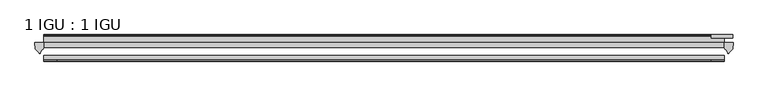
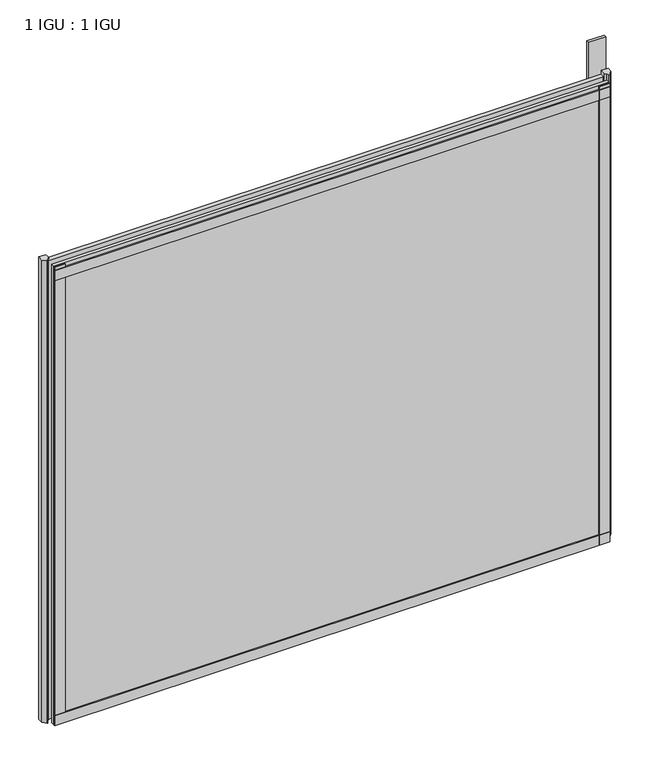
"""IFC4 building model written with IfcOpenShell, lengths in millimetres: plate geometry, 1 IGU : 1 IGU."""

from ifc_helpers import new_model, si_unit, point, frame, frame_2d, origin, place, context, project, spatial, polyline, circle_curve, trimmed, segment, composite_curve, outline, extrude, source, transform, mapped, element, save


def plate_1_igu_1_igu_3b197d04(model_context):
    return source(origin(), model_context, "Body", "SweptSolid", [
        extrude(outline(polyline([(599.5769219, -11.6085937), (599.5769219, -18.8576359), (-397.3691094, -18.8576359), (-397.3691094, -11.6085937), (599.5769219, -11.6085937)])), frame((0.0, 0.0, -19.05), z_axis=(0.0, 0.0, 1.0), x_axis=(1.0, 0.0, 0.0)), (0.0, 0.0, 1.0), 869.9409101),
        extrude(outline(polyline([(-397.3691094, -30.7093937), (599.5769219, -30.7093937), (599.5769219, -37.0085937), (-397.3691094, -37.0085937), (-397.3691094, -30.7093937)])), frame((0.0, 0.0, -19.05), z_axis=(0.0, 0.0, 1.0), x_axis=(1.0, 0.0, 0.0)), (0.0, 0.0, 1.0), 869.9409101),
        extrude(outline(polyline([(612.2769219, -0.4960937), (612.2769219, -5.3578125), (580.5269219, -5.3578125), (580.5269219, -0.4960937), (612.2769219, -0.4960937)])), frame((0.0, 0.0, -28.575), z_axis=(0.0, 0.0, 1.0), x_axis=(1.0, 0.0, 0.0)), (0.0, 0.0, 1.0), 28.575),
        extrude(outline(polyline([(580.5269219, -5.3578125), (580.5269219, -0.4960937), (612.2769219, -0.4960937), (612.2769219, -5.3578125), (580.5269219, -5.3578125)])), frame((0.0, 0.0, 825.4909101), z_axis=(0.0, 0.0, 1.0), x_axis=(1.0, 0.0, 0.0)), (0.0, 0.0, 1.0), 88.9),
        extrude(outline(composite_curve([segment(polyline([(612.654831, -11.6101465), (612.2769219, -21.3502133), (606.3388686, -27.6095865)]), True, "CONTINUOUS"), segment(trimmed(circle_curve(frame_2d((605.6660625, -27.2518492)), 0.762), [point((606.3388686, -27.6095865))], [point((604.9373583, -27.4746364))], False, "CARTESIAN"), True, "CONTINUOUS"), segment(polyline([(604.9373583, -27.4746364), (603.6755238, -23.3488397)]), True, "CONTINUOUS"), segment(trimmed(circle_curve(frame_2d((605.8574809, -16.3834724)), 7.2991286), [point((603.6755238, -23.3488397))], [point((599.5771005, -20.1028944))], False, "CARTESIAN"), True, "CONTINUOUS"), segment(polyline([(599.5771005, -20.1028944), (599.5771005, -12.664425)]), True, "CONTINUOUS"), segment(trimmed(circle_curve(frame_2d((605.858355, -16.3827796)), 7.2993369), [point((599.5771005, -12.664425))], [point((600.3354669, -11.6101465))], False, "CARTESIAN"), True, "CONTINUOUS"), segment(polyline([(600.3354669, -11.6101465), (612.654831, -11.6101465)]), True, "CONTINUOUS")], self_intersect=False)), frame((0.0, 0.0, -19.05), z_axis=(0.0, 0.0, 1.0), x_axis=(1.0, 0.0, 0.0)), (0.0, 0.0, 1.0), 877.0783101),
        extrude(outline(composite_curve([segment(polyline([(-397.3691094, -11.610702), (-397.3691094, -20.1014769)]), True, "CONTINUOUS"), segment(trimmed(circle_curve(frame_2d((-403.6503037, -16.3829847)), 7.2993552), [point((-397.3691094, -20.1014769))], [point((-401.4680591, -23.3484994))], False, "CARTESIAN"), True, "CONTINUOUS"), segment(polyline([(-401.4680591, -23.3484994), (-402.7295458, -27.4746364)]), True, "CONTINUOUS"), segment(trimmed(circle_curve(frame_2d((-403.45825, -27.2518492)), 0.762), [point((-402.7295458, -27.4746364))], [point((-404.1310561, -27.6095865))], False, "CARTESIAN"), True, "CONTINUOUS"), segment(polyline([(-404.1310561, -27.6095865), (-410.0691094, -21.3502133), (-410.4470185, -11.610702), (-397.3691094, -11.610702)]), True, "CONTINUOUS")], self_intersect=False)), frame((0.0, 0.0, -19.05), z_axis=(0.0, 0.0, 1.0), x_axis=(1.0, 0.0, 0.0)), (0.0, 0.0, 1.0), 877.0783101),
        extrude(outline(polyline([(-397.3691094, -39.2945937), (-397.3691094, -37.0085937), (599.5769219, -37.0085937), (599.5769219, -39.2945937), (-397.3691094, -39.2945937)])), frame((0.0, 0.0, -19.05), z_axis=(0.0, 0.0, 1.0), x_axis=(1.0, 0.0, 0.0)), (0.0, 0.0, 1.0), 19.05),
        extrude(outline(composite_curve([segment(trimmed(circle_curve(frame_2d((-2.5575611, 32.8538976)), 31.3272753), [point((-11.6085937, 2.8626158))], [point((-2.2024699, 1.5286348))], True, "CARTESIAN"), True, "CONTINUOUS"), segment(polyline([(-2.2024699, 1.5286348), (-2.2024699, 0.0), (-5.2585937, 0.0), (-5.2585937, -5.2345509), (-3.3544944, -5.5797863), (-5.2585937, -8.255), (-5.2585937, -11.471876)]), True, "CONTINUOUS"), segment(trimmed(circle_curve(frame_2d((-6.5285937, -11.471876)), 1.27), [point((-5.2585937, -11.471876))], [point((-7.4547667, -12.340843))], False, "CARTESIAN"), True, "CONTINUOUS"), segment(polyline([(-7.4547667, -12.340843), (-11.6085937, -7.9135609), (-11.6085937, 2.8626158)]), True, "CONTINUOUS")], self_intersect=False)), frame((-397.3691094, 0.0, 0.0), z_axis=(1.0, 0.0, 0.0), x_axis=(0.0, 1.0, 0.0)), (0.0, 0.0, 1.0), 996.9460312),
        extrude(outline(composite_curve([segment(polyline([(-3.0995937, 840.8103314), (-3.0995937, 838.7783314), (-5.2585937, 838.7783314), (-5.2585937, 833.4443314), (-1.5755937, 833.4443314), (-1.5755937, 830.3963314), (-5.2585937, 830.3963314), (-5.2585937, 825.5703314), (-0.5298657, 826.2349108), (-0.4061408, 825.3545625)]), True, "CONTINUOUS"), segment(trimmed(circle_curve(frame_2d((-1.4122531, 825.2131626)), 1.016), [point((-0.4061408, 825.3545625))], [point((-1.2708533, 824.2070502))], False, "CARTESIAN"), True, "CONTINUOUS"), segment(polyline([(-1.2708533, 824.2070502), (-11.6085937, 822.7541756), (-11.6085937, 840.8103314), (-3.0995937, 840.8103314)]), True, "CONTINUOUS")], self_intersect=False)), frame((-397.3691094, 0.0, 0.0), z_axis=(1.0, 0.0, 0.0), x_axis=(0.0, 1.0, 0.0)), (0.0, 0.0, 1.0), 996.9460312),
        extrude(outline(polyline([(-397.3691094, -39.2945937), (-397.3691094, -37.0085937), (599.5769219, -37.0085937), (599.5769219, -39.2945937), (-397.3691094, -39.2945937)])), frame((0.0, 0.0, 825.4909101), z_axis=(0.0, 0.0, 1.0), x_axis=(1.0, 0.0, 0.0)), (0.0, 0.0, 1.0), 19.05),
        extrude(outline(polyline([(580.5269219, -37.0085937), (599.5769219, -37.0085937), (599.5769219, -39.2945938), (580.5269219, -39.2945938), (580.5269219, -37.0085937)])), frame((0.0, 0.0, -19.05), z_axis=(0.0, 0.0, 1.0), x_axis=(1.0, 0.0, 0.0)), (0.0, 0.0, 1.0), 869.9409101),
        extrude(outline(polyline([(-397.3691094, -39.2945937), (-397.3691094, -37.0085937), (-378.3191094, -37.0085937), (-378.3191094, -39.2945937), (-397.3691094, -39.2945937)])), frame((0.0, 0.0, -19.05), z_axis=(0.0, 0.0, 1.0), x_axis=(1.0, 0.0, 0.0)), (0.0, 0.0, 1.0), 869.9409101),
    ])


if __name__ == "__main__":
    model = new_model("IFC4")
    model_context = context("Model", 3, world=origin())
    ifc_project = project(units=[si_unit("LENGTHUNIT", "METRE", prefix="MILLI")], contexts=[model_context])
    site = spatial("IfcSite", under=ifc_project)
    building = spatial("IfcBuilding", under=site)
    placement = place(None, origin())
    plate_1_igu_1_igu_shape = plate_1_igu_1_igu_3b197d04(model_context)
    element("IfcPlate", 1, ObjectType="1 IGU : 1 IGU", at=placement, inside=building, context=model_context, shape_type="MappedRepresentation", body=[
        mapped(plate_1_igu_1_igu_shape, transform((0.0, 0.0, 0.0), x_axis=(1.0, 0.0, 0.0), y_axis=(0.0, 1.0, 0.0), z_axis=(0.0, 0.0, 1.0))),
    ])
    save(model, "model.ifc")
